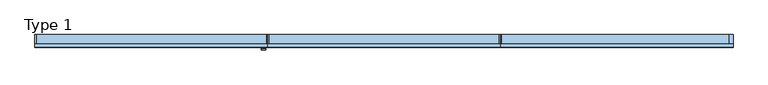
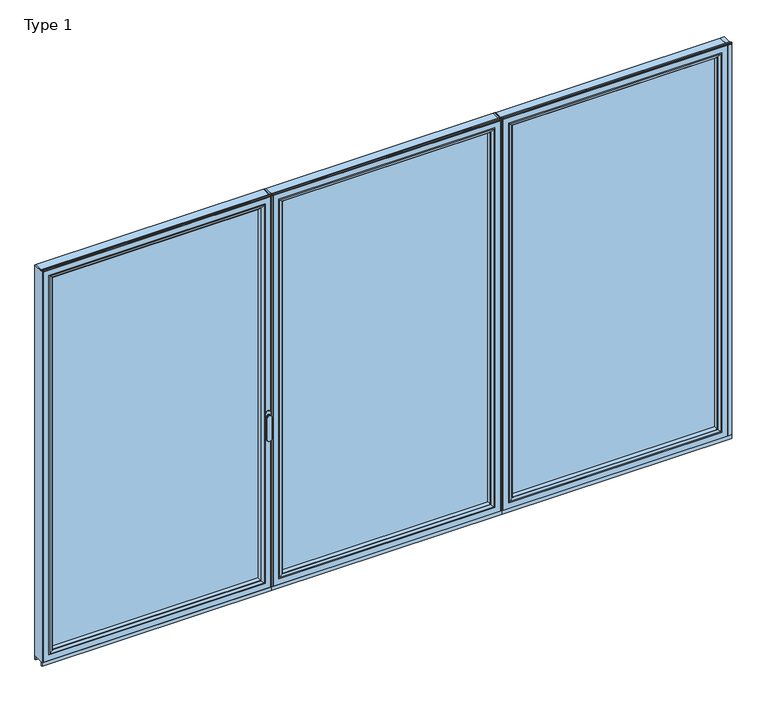
"""IFC4 building model written with IfcOpenShell, lengths in millimetres: window geometry, Type 1."""

from ifc_helpers import new_model, si_unit, point, frame, frame_2d, origin, place, context, project, spatial, polyline, circle_curve, ellipse_curve, trimmed, segment, composite_curve, outline, extrude, source, transform, mapped, element, save
from ifc_brep_helpers import plane_surface, cylinder_surface, extruded_surface, advanced_brep


def type_1_47d6afba(model_context):
    return source(origin(), model_context, "Body", "SolidModel", [
        extrude(outline(polyline([(-639.6012885, 0.0), (-633.6012885, 0.0), (-633.6012885, -70.0), (-639.6012885, -70.0), (-639.6012885, 0.0)])), frame((0.0, 0.0, 37.5), z_axis=(0.0, 0.0, 1.0), x_axis=(1.0, 0.0, 0.0)), (0.0, 0.0, 1.0), 2299.5),
        extrude(outline(polyline([(639.5987115, 0.0), (639.5987115, -70.0), (633.5987115, -70.0), (633.5987115, 0.0), (639.5987115, 0.0)])), frame((0.0, 0.0, 37.5), z_axis=(0.0, 0.0, 1.0), x_axis=(1.0, 0.0, 0.0)), (0.0, 0.0, 1.0), 2299.5),
        extrude(outline(polyline([(-601.6012885, -13.999939), (601.5987115, -13.999939), (601.5987115, -37.9928974), (-601.6012885, -37.9928974), (-601.6012885, -13.999939)])), frame((0.0, 0.0, 69.5), z_axis=(0.0, 0.0, 1.0), x_axis=(1.0, 0.0, 0.0)), (0.0, 0.0, 1.0), 2235.5),
        advanced_brep(
        [(579.5991387, -64.5552044, 2283.0004272), (579.5991387, -37.9928974, 2283.0004272), (579.5991387, -37.9928974, 91.4995728), (579.5991387, -64.5552044, 91.4995728), (601.5987115, -37.9928974, 2305.0), (601.5987115, -37.9928974, 69.5), (-601.6012885, -37.9928974, 69.5), (-601.6012885, -37.9928974, 2305.0), (-579.6017157, -37.9928974, 2283.0004272), (-579.6017157, -37.9928974, 91.4995728), (-579.6017157, -64.5552044, 91.4995728), (580.3086822, -65.8045072, 2283.7099707), (580.3086822, -65.8045072, 90.7900293), (-580.3112592, -65.8045072, 90.7900293), (595.5987725, -70.0, 2299.000061), (595.5987725, -70.0, 75.499939), (-595.6013495, -70.0, 75.499939), (-601.6012885, -70.0, 2305.0), (-601.6012885, -70.0, 69.5), (601.5987115, -70.0, 69.5), (601.5987115, -70.0, 2305.0), (-595.6013495, -70.0, 2299.000061), (-579.6017157, -64.5552044, 2283.0004272), (-580.3112592, -65.8045072, 2283.7099707)],
        [
            (0, 1),
            (1, 2),
            (2, 3),
            (3, 0),
            (4, 5),
            (5, 6),
            (6, 7),
            (7, 4),
            (8, 9),
            (9, 2),
            (1, 8),
            (9, 10),
            (10, 3),
            (11, 0, ellipse_curve(frame((581.0537427, -64.5552044, 2284.4550312), z_axis=(0.7071067811865475, 0.0, -0.7071067811865475), x_axis=(0.7071067811865474, 0.0, 0.7071067811865476)), 2.0571207, 1.454604)),
            (3, 12, ellipse_curve(frame((581.0537427, -64.5552044, 90.0449688), z_axis=(0.7071067811865475, 0.0, 0.7071067811865475), x_axis=(-0.7071067811865474, 0.0, 0.7071067811865476)), 2.0571207, 1.454604)),
            (12, 11),
            (10, 13, ellipse_curve(frame((-581.0563197, -64.5552044, 90.0449688), z_axis=(0.7071067811865475, 0.0, -0.7071067811865475), x_axis=(0.7071067811865476, 0.0, 0.7071067811865474)), 2.0571207, 1.454604)),
            (13, 12),
            (14, 11, ellipse_curve(frame((595.5348369, -40.2735922, 2298.9361254), z_axis=(0.7071067811865475, 0.0, -0.7071067811865475), x_axis=(0.7071067811865474, 0.0, 0.7071067811865476)), 42.0395863, 29.7264765)),
            (12, 15, ellipse_curve(frame((595.5348369, -40.2735922, 75.5638746), z_axis=(0.7071067811865475, 0.0, 0.7071067811865475), x_axis=(-0.7071067811865474, 0.0, 0.7071067811865476)), 42.0395863, 29.7264765)),
            (15, 14),
            (13, 16, ellipse_curve(frame((-595.5374139, -40.2735922, 75.5638746), z_axis=(0.7071067811865475, 0.0, -0.7071067811865475), x_axis=(0.7071067811865476, 0.0, 0.7071067811865474)), 42.0395863, 29.7264765)),
            (16, 15),
            (17, 18),
            (18, 19),
            (19, 20),
            (20, 17),
            (16, 21),
            (21, 14),
            (4, 20),
            (19, 5),
            (18, 6),
            (8, 22),
            (22, 10),
            (22, 23, ellipse_curve(frame((-581.0563197, -64.5552044, 2284.4550312), z_axis=(-0.7071067811865475, 0.0, -0.7071067811865475), x_axis=(0.7071067811865474, 0.0, -0.7071067811865476)), 2.0571207, 1.454604)),
            (23, 13),
            (23, 21, ellipse_curve(frame((-595.5374139, -40.2735922, 2298.9361254), z_axis=(-0.7071067811865475, 0.0, -0.7071067811865475), x_axis=(0.7071067811865474, 0.0, -0.7071067811865476)), 42.0395863, 29.7264765)),
            (17, 7),
            (0, 22),
            (11, 23),
        ],
        [
            plane_surface(frame((579.5991387, -37.9928974, 2283.0004272), z_axis=(-1.0, 0.0, 0.0), x_axis=(0.0, 0.0, -1.0))),
            plane_surface(frame((-601.6012885, -37.9928974, 69.5), z_axis=(0.0, 1.0, 0.0), x_axis=(0.0, 0.0, 1.0))),
            plane_surface(frame((579.5991387, -37.9928974, 91.4995728), z_axis=(0.0, 0.0, 1.0), x_axis=(-1.0, 0.0, 0.0))),
            cylinder_surface(frame((581.0537427, -64.5552044, 2283.0004272), z_axis=(0.0, 0.0, 1.0), x_axis=(1.0, 0.0, 0.0)), 1.454604),
            cylinder_surface(frame((579.5991387, -64.5552044, 90.0449688), z_axis=(1.0, 0.0, 0.0), x_axis=(0.0, 0.0, -1.0)), 1.454604),
            cylinder_surface(frame((595.5348369, -40.2735922, 2283.0004272), z_axis=(0.0, 0.0, 1.0), x_axis=(1.0, 0.0, 0.0)), 29.7264765),
            cylinder_surface(frame((579.5991387, -40.2735922, 75.5638746), z_axis=(1.0, 0.0, 0.0), x_axis=(0.0, 0.0, -1.0)), 29.7264765),
            plane_surface(frame((-595.6013495, -70.0, 75.499939), z_axis=(0.0, -1.0, 0.0), x_axis=(0.0, 0.0, 1.0))),
            plane_surface(frame((601.5987115, -70.0, 2305.0), z_axis=(1.0, 0.0, 0.0), x_axis=(0.0, 0.0, -1.0))),
            plane_surface(frame((601.5987115, -70.0, 69.5), z_axis=(0.0, 0.0, -1.0), x_axis=(-1.0, 0.0, 0.0))),
            plane_surface(frame((-579.6017157, -37.9928974, 91.4995728), z_axis=(1.0, 0.0, 0.0), x_axis=(0.0, 0.0, 1.0))),
            cylinder_surface(frame((-581.0563197, -64.5552044, 91.4995728), z_axis=(0.0, 0.0, -1.0), x_axis=(-1.0, 0.0, 0.0)), 1.454604),
            cylinder_surface(frame((-595.5374139, -40.2735922, 91.4995728), z_axis=(0.0, 0.0, -1.0), x_axis=(-1.0, 0.0, 0.0)), 29.7264765),
            plane_surface(frame((-601.6012885, -70.0, 69.5), z_axis=(-1.0, 0.0, 0.0), x_axis=(0.0, 0.0, 1.0))),
            plane_surface(frame((-579.6017157, -37.9928974, 2283.0004272), z_axis=(0.0, 0.0, -1.0), x_axis=(1.0, 0.0, 0.0))),
            cylinder_surface(frame((-579.6017157, -64.5552044, 2284.4550312), z_axis=(-1.0, 0.0, 0.0), x_axis=(0.0, 0.0, 1.0)), 1.454604),
            cylinder_surface(frame((-579.6017157, -40.2735922, 2298.9361254), z_axis=(-1.0, 0.0, 0.0), x_axis=(0.0, 0.0, 1.0)), 29.7264765),
            plane_surface(frame((-601.6012885, -70.0, 2305.0), z_axis=(0.0, 0.0, 1.0), x_axis=(1.0, 0.0, 0.0))),
        ],
        [
            (0, [[1, 2, 3, 4]]),
            (1, [[5, 6, 7, 8], [9, 10, -2, 11]]),
            (2, [[-3, -10, 12, 13]]),
            (3, [[14, -4, 15, 16]]),
            (4, [[-15, -13, 17, 18]]),
            (5, [[19, -16, 20, 21]]),
            (6, [[-20, -18, 22, 23]]),
            (7, [[24, 25, 26, 27], [-21, -23, 28, 29]]),
            (8, [[30, -26, 31, -5]]),
            (9, [[-31, -25, 32, -6]]),
            (10, [[-12, -9, 33, 34]]),
            (11, [[-17, -34, 35, 36]]),
            (12, [[-22, -36, 37, -28]]),
            (13, [[-32, -24, 38, -7]]),
            (14, [[-33, -11, -1, 39]]),
            (15, [[-35, -39, -14, 40]]),
            (16, [[-37, -40, -19, -29]]),
            (17, [[-38, -27, -30, -8]]),
        ],
    ),
        advanced_brep(
        [(-633.6012885, -70.0, 2337.0), (-633.6012885, 0.0, 2337.0), (-633.6012885, 0.0, 37.5), (-633.6012885, -70.0, 37.5), (633.5987115, 0.0, 37.5), (633.5987115, -70.0, 37.5), (633.5987115, 0.0, 2337.0), (584.0995214, 0.0, 86.9991901), (584.0995214, 0.0, 2287.5008099), (-584.1020984, 0.0, 2287.5008099), (-584.1020984, 0.0, 86.9991901), (633.5987115, -70.0, 2337.0), (-601.6012885, -70.0, 69.5), (-601.6012885, -70.0, 2305.0), (601.5987115, -70.0, 2305.0), (601.5987115, -70.0, 69.5), (-601.6012885, -13.999939, 2305.0), (-601.6012885, -13.999939, 69.5), (601.5987115, -13.999939, 69.5), (601.5987115, -13.999939, 2305.0), (-579.6017157, -13.999939, 91.4995728), (-579.6017157, -13.999939, 2283.0004272), (579.5991387, -13.999939, 2283.0004272), (579.5991387, -13.999939, 91.4995728), (-579.6017157, -4.5004435, 2283.0004272), (-579.6017157, -4.5004435, 91.4995728), (579.5991387, -4.5004435, 91.4995728), (579.5991387, -4.5004435, 2283.0004272)],
        [
            (0, 1),
            (1, 2),
            (2, 3),
            (3, 0),
            (2, 4),
            (4, 5),
            (5, 3),
            (1, 6),
            (6, 4),
            (7, 8),
            (8, 9),
            (9, 10),
            (10, 7),
            (6, 11),
            (11, 5),
            (11, 0),
            (12, 13),
            (13, 14),
            (14, 15),
            (15, 12),
            (16, 13),
            (12, 17),
            (17, 16),
            (15, 18),
            (18, 17),
            (14, 19),
            (19, 18),
            (19, 16),
            (20, 21),
            (21, 22),
            (22, 23),
            (23, 20),
            (24, 21),
            (20, 25),
            (25, 24),
            (23, 26),
            (26, 25),
            (22, 27),
            (27, 26),
            (10, 25, ellipse_curve(frame((-584.1020984, -4.5004435, 86.9991901), z_axis=(0.7071067811865475, 0.0, -0.7071067811865475), x_axis=(-0.7071067811865476, 0.0, -0.7071067811865474)), 6.3645023, 4.5003827)),
            (26, 7, ellipse_curve(frame((584.0995214, -4.5004435, 86.9991901), z_axis=(-0.7071067811865475, 0.0, -0.7071067811865475), x_axis=(-0.7071067811865476, 0.0, 0.7071067811865474)), 6.3645023, 4.5003827)),
            (9, 24, ellipse_curve(frame((-584.1020984, -4.5004435, 2287.5008099), z_axis=(-0.7071067811865475, 0.0, -0.7071067811865475), x_axis=(-0.7071067811865474, 0.0, 0.7071067811865476)), 6.3645023, 4.5003827)),
            (27, 8, ellipse_curve(frame((584.0995214, -4.5004435, 2287.5008099), z_axis=(0.7071067811865475, 0.0, -0.7071067811865475), x_axis=(-0.7071067811865474, 0.0, -0.7071067811865476)), 6.3645023, 4.5003827)),
            (24, 27),
        ],
        [
            plane_surface(frame((-633.6012885, 0.0, 2337.0), z_axis=(-1.0, 0.0, 0.0), x_axis=(0.0, 0.0, -1.0))),
            plane_surface(frame((-633.6012885, 0.0, 37.5), z_axis=(0.0, 0.0, -1.0), x_axis=(1.0, 0.0, 0.0))),
            plane_surface(frame((-584.1020984, 0.0, 2287.5008099), z_axis=(0.0, 1.0, 0.0), x_axis=(0.0, 0.0, -1.0))),
            plane_surface(frame((633.5987115, 0.0, 37.5), z_axis=(1.0, 0.0, 0.0), x_axis=(0.0, 0.0, 1.0))),
            plane_surface(frame((-633.6012885, -70.0, 2337.0), z_axis=(0.0, -1.0, 0.0), x_axis=(0.0, 0.0, -1.0))),
            plane_surface(frame((-601.6012885, -70.0, 2305.0), z_axis=(1.0, 0.0, 0.0), x_axis=(0.0, 0.0, -1.0))),
            plane_surface(frame((-601.6012885, -70.0, 69.5), z_axis=(0.0, 0.0, 1.0), x_axis=(1.0, 0.0, 0.0))),
            plane_surface(frame((601.5987115, -70.0, 69.5), z_axis=(-1.0, 0.0, 0.0), x_axis=(0.0, 0.0, 1.0))),
            plane_surface(frame((-601.6012885, -13.999939, 2305.0), z_axis=(0.0, -1.0, 0.0), x_axis=(0.0, 0.0, -1.0))),
            plane_surface(frame((-579.6017157, -13.999939, 2283.0004272), z_axis=(1.0, 0.0, 0.0), x_axis=(0.0, 0.0, -1.0))),
            plane_surface(frame((-579.6017157, -13.999939, 91.4995728), z_axis=(0.0, 0.0, 1.0), x_axis=(1.0, 0.0, 0.0))),
            plane_surface(frame((579.5991387, -13.999939, 91.4995728), z_axis=(-1.0, 0.0, 0.0), x_axis=(0.0, 0.0, 1.0))),
            cylinder_surface(frame((-639.6012885, -4.5004435, 86.9991901), z_axis=(-1.0, 0.0, 0.0), x_axis=(0.0, -1.0, 0.0)), 4.5003827),
            cylinder_surface(frame((-584.1020984, -4.5004435, 2343.0), z_axis=(0.0, 0.0, 1.0), x_axis=(0.0, -1.0, 0.0)), 4.5003827),
            cylinder_surface(frame((584.0995214, -4.5004435, 31.5), z_axis=(0.0, 0.0, -1.0), x_axis=(0.0, -1.0, 0.0)), 4.5003827),
            plane_surface(frame((633.5987115, 0.0, 2337.0), z_axis=(0.0, 0.0, 1.0), x_axis=(-1.0, 0.0, 0.0))),
            plane_surface(frame((601.5987115, -70.0, 2305.0), z_axis=(0.0, 0.0, -1.0), x_axis=(-1.0, 0.0, 0.0))),
            plane_surface(frame((579.5991387, -13.999939, 2283.0004272), z_axis=(0.0, 0.0, -1.0), x_axis=(-1.0, 0.0, 0.0))),
            cylinder_surface(frame((639.5987115, -4.5004435, 2287.5008099), z_axis=(1.0, 0.0, 0.0), x_axis=(0.0, -1.0, 0.0)), 4.5003827),
        ],
        [
            (0, [[1, 2, 3, 4]]),
            (1, [[-3, 5, 6, 7]]),
            (2, [[-2, 8, 9, -5], [10, 11, 12, 13]]),
            (3, [[-6, -9, 14, 15]]),
            (4, [[-15, 16, -4, -7], [17, 18, 19, 20]]),
            (5, [[21, -17, 22, 23]]),
            (6, [[-22, -20, 24, 25]]),
            (7, [[-24, -19, 26, 27]]),
            (8, [[-27, 28, -23, -25], [29, 30, 31, 32]]),
            (9, [[33, -29, 34, 35]]),
            (10, [[-34, -32, 36, 37]]),
            (11, [[-36, -31, 38, 39]]),
            (12, [[40, -37, 41, -13]]),
            (13, [[42, -35, -40, -12]]),
            (14, [[-41, -39, 43, -10]]),
            (15, [[-14, -8, -1, -16]]),
            (16, [[-26, -18, -21, -28]]),
            (17, [[-38, -30, -33, 44]]),
            (18, [[-43, -44, -42, -11]]),
        ],
    ),
        extrude(outline(polyline([(-639.6012885, -7.6000076), (-639.6012885, 0.0), (639.5987115, 0.0), (639.5987115, -7.6000076), (-639.6012885, -7.6000076)])), frame((0.0, 0.0, 15.4995117), z_axis=(0.0, 0.0, 1.0), x_axis=(1.0, 0.0, 0.0)), (0.0, 0.0, 1.0), 22.0004883),
        extrude(outline(polyline([(-639.6012885, -70.0), (-639.6012885, -62.2757497), (639.5987115, -62.2757497), (639.5987115, -70.0), (-639.6012885, -70.0)])), frame((0.0, 0.0, 15.4995117), z_axis=(0.0, 0.0, 1.0), x_axis=(1.0, 0.0, 0.0)), (0.0, 0.0, 1.0), 22.0004883),
        extrude(outline(composite_curve([segment(polyline([(-52.044326, 2339.1400778), (-52.044326, 2337.0), (-70.0, 2337.0), (-71.8735116, 2343.9547971)]), True, "CONTINUOUS"), segment(trimmed(circle_curve(frame_2d((-69.9423544, 2344.4750201)), 2.0), [point((-71.8735116, 2343.9547971))], [point((-71.8738669, 2344.9939222))], False, "CARTESIAN"), True, "CONTINUOUS"), segment(polyline([(-71.8738669, 2344.9939222), (-70.8937897, 2348.6420698), (-70.0, 2348.6420698), (-70.0, 2342.963961), (-68.6363596, 2339.1400778), (-52.044326, 2339.1400778)]), True, "CONTINUOUS")], self_intersect=False)), frame((-639.6012885, 0.0, 0.0), z_axis=(1.0, 0.0, 0.0), x_axis=(0.0, 1.0, 0.0)), (0.0, 0.0, 1.0), 1279.2),
        advanced_brep(
        [(-673.5886308, -73.5, 1050.0), (-649.6113692, -73.5, 1050.0), (-649.6113692, -76.8965533, 1050.0), (-673.5886308, -76.8965533, 1050.0), (-673.5886308, -84.5, 1050.0), (-673.5886308, -84.5, 918.6867153), (-649.6113692, -84.5, 918.6867153), (-649.6113692, -84.5, 1050.0), (-649.6113692, -76.8965533, 918.6867153), (-673.5886308, -76.8965533, 918.6867153)],
        [
            (0, 1, circle_curve(frame((-661.6, -73.5, 1050.0), z_axis=(0.0, 1.0, 0.0), x_axis=(1.0, 0.0, 0.0)), 11.9886308)),
            (1, 0, circle_curve(frame((-661.6, -73.5, 1050.0), z_axis=(0.0, 1.0, 0.0), x_axis=(1.0, 0.0, 0.0)), 11.9886308)),
            (1, 2),
            (2, 3, circle_curve(frame((-661.6, -76.8965533, 1050.0), z_axis=(0.0, 1.0, 0.0), x_axis=(1.0, 0.0, 0.0)), 11.9886308)),
            (3, 0),
            (3, 2, circle_curve(frame((-661.6, -76.8965533, 1050.0), z_axis=(0.0, 1.0, 0.0), x_axis=(1.0, 0.0, 0.0)), 11.9886308)),
            (4, 5),
            (5, 6, ellipse_curve(frame((-661.6, -84.5, 918.6867153), z_axis=(0.0, -1.0, 0.0), x_axis=(-1.0, 0.0, 0.0)), 11.9886308, 7.9050795)),
            (6, 7),
            (7, 4, circle_curve(frame((-661.6, -84.5, 1050.0), z_axis=(0.0, -1.0, 0.0), x_axis=(1.0, 0.0, 0.0)), 11.9886308)),
            (2, 8),
            (8, 9, ellipse_curve(frame((-661.6, -76.8965533, 918.6867153), z_axis=(0.0, 1.0, 0.0), x_axis=(-1.0, 0.0, 0.0)), 11.9886308, 7.9050795)),
            (9, 3),
            (4, 3),
            (9, 5),
            (8, 6),
            (2, 7),
        ],
        [
            plane_surface(frame((-649.6113692, -73.5, 1050.0), z_axis=(0.0, 1.0, 0.0), x_axis=(0.0, 0.0, -1.0))),
            cylinder_surface(frame((-661.6, -73.5, 1050.0), z_axis=(0.0, -1.0, 0.0), x_axis=(1.0, 0.0, 0.0)), 11.9886308),
            plane_surface(frame((-673.5886308, -84.5, 928.3382074), z_axis=(0.0, -1.0, 0.0), x_axis=(0.0, 0.0, -1.0))),
            plane_surface(frame((-673.5886308, -76.8965533, 928.3382074), z_axis=(0.0, 1.0, 0.0), x_axis=(0.0, 0.0, 1.0))),
            plane_surface(frame((-673.5886308, -84.5, 1050.0), z_axis=(-1.0, 0.0, 0.0), x_axis=(0.0, 1.0, 0.0))),
            extruded_surface(trimmed(ellipse_curve(frame((-661.6, -69.2931066, 918.6867153), z_axis=(0.0, -1.0, 0.0), x_axis=(-1.0, 0.0, 0.0)), 11.9886308, 7.9050795), [point((-673.5886308, -69.2931066, 918.6867153))], [point((-649.6113692, -69.2931066, 918.6867153))], True, "CARTESIAN"), (0.0, -7.603446699999992, 0.0), 7.603446699999992),
            plane_surface(frame((-649.6113692, -84.5, 918.6867153), z_axis=(1.0, 0.0, 0.0), x_axis=(0.0, 1.0, 0.0))),
            cylinder_surface(frame((-661.6, -76.8965533, 1050.0), z_axis=(0.0, -1.0, 0.0), x_axis=(1.0, 0.0, 0.0)), 11.9886308),
        ],
        [
            (0, [[1, 2]]),
            (1, [[-2, 3, 4, 5]]),
            (1, [[-1, -5, 6, -3]]),
            (2, [[7, 8, 9, 10]]),
            (3, [[11, 12, 13, -4]]),
            (4, [[-7, 14, -13, 15]]),
            (5, [[-8, -15, -12, 16]]),
            (6, [[-9, -16, -11, 17]]),
            (7, [[-10, -17, -6, -14]]),
        ],
    ),
        extrude(outline(composite_curve([segment(polyline([(1068.75, -675.6), (1031.25, -675.6)]), True, "CONTINUOUS"), segment(trimmed(circle_curve(frame_2d((1031.25, -661.6)), 14.0), [point((1031.25, -675.6))], [point((1031.25, -647.6))], False, "CARTESIAN"), True, "CONTINUOUS"), segment(polyline([(1031.25, -647.6), (1068.75, -647.6)]), True, "CONTINUOUS"), segment(trimmed(circle_curve(frame_2d((1068.75, -661.6)), 14.0), [point((1068.75, -647.6))], [point((1068.75, -675.6))], False, "CARTESIAN"), True, "CONTINUOUS")], self_intersect=False)), frame((0.0, -73.5, 0.0), z_axis=(0.0, 1.0, 0.0), x_axis=(0.0, 0.0, 1.0)), (0.0, 0.0, 1.0), 3.5),
        extrude(outline(polyline([(-1918.8, 0.0), (-1912.8, 0.0), (-1912.8, -70.0), (-1918.8, -70.0), (-1918.8, 0.0)])), frame((0.0, 0.0, 37.5), z_axis=(0.0, 0.0, 1.0), x_axis=(1.0, 0.0, 0.0)), (0.0, 0.0, 1.0), 2299.5),
        extrude(outline(polyline([(-639.6, 0.0), (-639.6, -70.0), (-645.6, -70.0), (-645.6, 0.0), (-639.6, 0.0)])), frame((0.0, 0.0, 37.5), z_axis=(0.0, 0.0, 1.0), x_axis=(1.0, 0.0, 0.0)), (0.0, 0.0, 1.0), 2299.5),
        extrude(outline(polyline([(-1880.8, -13.999939), (-677.6, -13.999939), (-677.6, -37.9928974), (-1880.8, -37.9928974), (-1880.8, -13.999939)])), frame((0.0, 0.0, 69.5), z_axis=(0.0, 0.0, 1.0), x_axis=(1.0, 0.0, 0.0)), (0.0, 0.0, 1.0), 2235.5),
        advanced_brep(
        [(-699.5995728, -64.5552044, 2283.0004272), (-699.5995728, -37.9928974, 2283.0004272), (-699.5995728, -37.9928974, 91.4995728), (-699.5995728, -64.5552044, 91.4995728), (-677.6, -37.9928974, 2305.0), (-677.6, -37.9928974, 69.5), (-1880.8, -37.9928974, 69.5), (-1880.8, -37.9928974, 2305.0), (-1858.8004272, -37.9928974, 2283.0004272), (-1858.8004272, -37.9928974, 91.4995728), (-1858.8004272, -64.5552044, 91.4995728), (-698.8900293, -65.8045072, 2283.7099707), (-698.8900293, -65.8045072, 90.7900293), (-1859.5099707, -65.8045072, 90.7900293), (-683.599939, -70.0, 2299.000061), (-683.599939, -70.0, 75.499939), (-1874.800061, -70.0, 75.499939), (-1880.8, -70.0, 2305.0), (-1880.8, -70.0, 69.5), (-677.6, -70.0, 69.5), (-677.6, -70.0, 2305.0), (-1874.800061, -70.0, 2299.000061), (-1858.8004272, -64.5552044, 2283.0004272), (-1859.5099707, -65.8045072, 2283.7099707)],
        [
            (0, 1),
            (1, 2),
            (2, 3),
            (3, 0),
            (4, 5),
            (5, 6),
            (6, 7),
            (7, 4),
            (8, 9),
            (9, 2),
            (1, 8),
            (9, 10),
            (10, 3),
            (11, 0, ellipse_curve(frame((-698.1449688, -64.5552044, 2284.4550312), z_axis=(0.7071067811865475, 0.0, -0.7071067811865475), x_axis=(0.7071067811865474, 0.0, 0.7071067811865476)), 2.0571207, 1.454604)),
            (3, 12, ellipse_curve(frame((-698.1449688, -64.5552044, 90.0449688), z_axis=(0.7071067811865475, 0.0, 0.7071067811865475), x_axis=(-0.7071067811865474, 0.0, 0.7071067811865476)), 2.0571207, 1.454604)),
            (12, 11),
            (10, 13, ellipse_curve(frame((-1860.2550312, -64.5552044, 90.0449688), z_axis=(0.7071067811865475, 0.0, -0.7071067811865475), x_axis=(0.7071067811865476, 0.0, 0.7071067811865474)), 2.0571207, 1.454604)),
            (13, 12),
            (14, 11, ellipse_curve(frame((-683.6638746, -40.2735922, 2298.9361254), z_axis=(0.7071067811865475, 0.0, -0.7071067811865475), x_axis=(0.7071067811865474, 0.0, 0.7071067811865476)), 42.0395863, 29.7264765)),
            (12, 15, ellipse_curve(frame((-683.6638746, -40.2735922, 75.5638746), z_axis=(0.7071067811865475, 0.0, 0.7071067811865475), x_axis=(-0.7071067811865474, 0.0, 0.7071067811865476)), 42.0395863, 29.7264765)),
            (15, 14),
            (13, 16, ellipse_curve(frame((-1874.7361254, -40.2735922, 75.5638746), z_axis=(0.7071067811865475, 0.0, -0.7071067811865475), x_axis=(0.7071067811865476, 0.0, 0.7071067811865474)), 42.0395863, 29.7264765)),
            (16, 15),
            (17, 18),
            (18, 19),
            (19, 20),
            (20, 17),
            (16, 21),
            (21, 14),
            (4, 20),
            (19, 5),
            (18, 6),
            (8, 22),
            (22, 10),
            (22, 23, ellipse_curve(frame((-1860.2550312, -64.5552044, 2284.4550312), z_axis=(-0.7071067811865475, 0.0, -0.7071067811865475), x_axis=(0.7071067811865474, 0.0, -0.7071067811865476)), 2.0571207, 1.454604)),
            (23, 13),
            (23, 21, ellipse_curve(frame((-1874.7361254, -40.2735922, 2298.9361254), z_axis=(-0.7071067811865475, 0.0, -0.7071067811865475), x_axis=(0.7071067811865474, 0.0, -0.7071067811865476)), 42.0395863, 29.7264765)),
            (17, 7),
            (0, 22),
            (11, 23),
        ],
        [
            plane_surface(frame((-699.5995728, -37.9928974, 2283.0004272), z_axis=(-1.0, 0.0, 0.0), x_axis=(0.0, 0.0, -1.0))),
            plane_surface(frame((-1880.8, -37.9928974, 69.5), z_axis=(0.0, 1.0, 0.0), x_axis=(0.0, 0.0, 1.0))),
            plane_surface(frame((-699.5995728, -37.9928974, 91.4995728), z_axis=(0.0, 0.0, 1.0), x_axis=(-1.0, 0.0, 0.0))),
            cylinder_surface(frame((-698.1449688, -64.5552044, 2283.0004272), z_axis=(0.0, 0.0, 1.0), x_axis=(1.0, 0.0, 0.0)), 1.454604),
            cylinder_surface(frame((-699.5995728, -64.5552044, 90.0449688), z_axis=(1.0, 0.0, 0.0), x_axis=(0.0, 0.0, -1.0)), 1.454604),
            cylinder_surface(frame((-683.6638746, -40.2735922, 2283.0004272), z_axis=(0.0, 0.0, 1.0), x_axis=(1.0, 0.0, 0.0)), 29.7264765),
            cylinder_surface(frame((-699.5995728, -40.2735922, 75.5638746), z_axis=(1.0, 0.0, 0.0), x_axis=(0.0, 0.0, -1.0)), 29.7264765),
            plane_surface(frame((-1874.800061, -70.0, 75.499939), z_axis=(0.0, -1.0, 0.0), x_axis=(0.0, 0.0, 1.0))),
            plane_surface(frame((-677.6, -70.0, 2305.0), z_axis=(1.0, 0.0, 0.0), x_axis=(0.0, 0.0, -1.0))),
            plane_surface(frame((-677.6, -70.0, 69.5), z_axis=(0.0, 0.0, -1.0), x_axis=(-1.0, 0.0, 0.0))),
            plane_surface(frame((-1858.8004272, -37.9928974, 91.4995728), z_axis=(1.0, 0.0, 0.0), x_axis=(0.0, 0.0, 1.0))),
            cylinder_surface(frame((-1860.2550312, -64.5552044, 91.4995728), z_axis=(0.0, 0.0, -1.0), x_axis=(-1.0, 0.0, 0.0)), 1.454604),
            cylinder_surface(frame((-1874.7361254, -40.2735922, 91.4995728), z_axis=(0.0, 0.0, -1.0), x_axis=(-1.0, 0.0, 0.0)), 29.7264765),
            plane_surface(frame((-1880.8, -70.0, 69.5), z_axis=(-1.0, 0.0, 0.0), x_axis=(0.0, 0.0, 1.0))),
            plane_surface(frame((-1858.8004272, -37.9928974, 2283.0004272), z_axis=(0.0, 0.0, -1.0), x_axis=(1.0, 0.0, 0.0))),
            cylinder_surface(frame((-1858.8004272, -64.5552044, 2284.4550312), z_axis=(-1.0, 0.0, 0.0), x_axis=(0.0, 0.0, 1.0)), 1.454604),
            cylinder_surface(frame((-1858.8004272, -40.2735922, 2298.9361254), z_axis=(-1.0, 0.0, 0.0), x_axis=(0.0, 0.0, 1.0)), 29.7264765),
            plane_surface(frame((-1880.8, -70.0, 2305.0), z_axis=(0.0, 0.0, 1.0), x_axis=(1.0, 0.0, 0.0))),
        ],
        [
            (0, [[1, 2, 3, 4]]),
            (1, [[5, 6, 7, 8], [9, 10, -2, 11]]),
            (2, [[-3, -10, 12, 13]]),
            (3, [[14, -4, 15, 16]]),
            (4, [[-15, -13, 17, 18]]),
            (5, [[19, -16, 20, 21]]),
            (6, [[-20, -18, 22, 23]]),
            (7, [[24, 25, 26, 27], [-21, -23, 28, 29]]),
            (8, [[30, -26, 31, -5]]),
            (9, [[-31, -25, 32, -6]]),
            (10, [[-12, -9, 33, 34]]),
            (11, [[-17, -34, 35, 36]]),
            (12, [[-22, -36, 37, -28]]),
            (13, [[-32, -24, 38, -7]]),
            (14, [[-33, -11, -1, 39]]),
            (15, [[-35, -39, -14, 40]]),
            (16, [[-37, -40, -19, -29]]),
            (17, [[-38, -27, -30, -8]]),
        ],
    ),
        advanced_brep(
        [(-1912.8, -70.0, 2337.0), (-1912.8, 0.0, 2337.0), (-1912.8, 0.0, 37.5), (-1912.8, -70.0, 37.5), (-645.6, 0.0, 37.5), (-645.6, -70.0, 37.5), (-645.6, 0.0, 2337.0), (-695.0991901, 0.0, 86.9991901), (-695.0991901, 0.0, 2287.5008099), (-1863.3008099, 0.0, 2287.5008099), (-1863.3008099, 0.0, 86.9991901), (-645.6, -70.0, 2337.0), (-1880.8, -70.0, 69.5), (-1880.8, -70.0, 2305.0), (-677.6, -70.0, 2305.0), (-677.6, -70.0, 69.5), (-1880.8, -13.999939, 2305.0), (-1880.8, -13.999939, 69.5), (-677.6, -13.999939, 69.5), (-677.6, -13.999939, 2305.0), (-1858.8004272, -13.999939, 91.4995728), (-1858.8004272, -13.999939, 2283.0004272), (-699.5995728, -13.999939, 2283.0004272), (-699.5995728, -13.999939, 91.4995728), (-1858.8004272, -4.5004435, 2283.0004272), (-1858.8004272, -4.5004435, 91.4995728), (-699.5995728, -4.5004435, 91.4995728), (-699.5995728, -4.5004435, 2283.0004272)],
        [
            (0, 1),
            (1, 2),
            (2, 3),
            (3, 0),
            (2, 4),
            (4, 5),
            (5, 3),
            (1, 6),
            (6, 4),
            (7, 8),
            (8, 9),
            (9, 10),
            (10, 7),
            (6, 11),
            (11, 5),
            (11, 0),
            (12, 13),
            (13, 14),
            (14, 15),
            (15, 12),
            (16, 13),
            (12, 17),
            (17, 16),
            (15, 18),
            (18, 17),
            (14, 19),
            (19, 18),
            (19, 16),
            (20, 21),
            (21, 22),
            (22, 23),
            (23, 20),
            (24, 21),
            (20, 25),
            (25, 24),
            (23, 26),
            (26, 25),
            (22, 27),
            (27, 26),
            (10, 25, ellipse_curve(frame((-1863.3008099, -4.5004435, 86.9991901), z_axis=(0.7071067811865475, 0.0, -0.7071067811865475), x_axis=(-0.7071067811865476, 0.0, -0.7071067811865474)), 6.3645023, 4.5003827)),
            (26, 7, ellipse_curve(frame((-695.0991901, -4.5004435, 86.9991901), z_axis=(-0.7071067811865475, 0.0, -0.7071067811865475), x_axis=(-0.7071067811865476, 0.0, 0.7071067811865474)), 6.3645023, 4.5003827)),
            (9, 24, ellipse_curve(frame((-1863.3008099, -4.5004435, 2287.5008099), z_axis=(-0.7071067811865475, 0.0, -0.7071067811865475), x_axis=(-0.7071067811865474, 0.0, 0.7071067811865476)), 6.3645023, 4.5003827)),
            (27, 8, ellipse_curve(frame((-695.0991901, -4.5004435, 2287.5008099), z_axis=(0.7071067811865475, 0.0, -0.7071067811865475), x_axis=(-0.7071067811865474, 0.0, -0.7071067811865476)), 6.3645023, 4.5003827)),
            (24, 27),
        ],
        [
            plane_surface(frame((-1912.8, 0.0, 2337.0), z_axis=(-1.0, 0.0, 0.0), x_axis=(0.0, 0.0, -1.0))),
            plane_surface(frame((-1912.8, 0.0, 37.5), z_axis=(0.0, 0.0, -1.0), x_axis=(1.0, 0.0, 0.0))),
            plane_surface(frame((-1863.3008099, 0.0, 2287.5008099), z_axis=(0.0, 1.0, 0.0), x_axis=(0.0, 0.0, -1.0))),
            plane_surface(frame((-645.6, 0.0, 37.5), z_axis=(1.0, 0.0, 0.0), x_axis=(0.0, 0.0, 1.0))),
            plane_surface(frame((-1912.8, -70.0, 2337.0), z_axis=(0.0, -1.0, 0.0), x_axis=(0.0, 0.0, -1.0))),
            plane_surface(frame((-1880.8, -70.0, 2305.0), z_axis=(1.0, 0.0, 0.0), x_axis=(0.0, 0.0, -1.0))),
            plane_surface(frame((-1880.8, -70.0, 69.5), z_axis=(0.0, 0.0, 1.0), x_axis=(1.0, 0.0, 0.0))),
            plane_surface(frame((-677.6, -70.0, 69.5), z_axis=(-1.0, 0.0, 0.0), x_axis=(0.0, 0.0, 1.0))),
            plane_surface(frame((-1880.8, -13.999939, 2305.0), z_axis=(0.0, -1.0, 0.0), x_axis=(0.0, 0.0, -1.0))),
            plane_surface(frame((-1858.8004272, -13.999939, 2283.0004272), z_axis=(1.0, 0.0, 0.0), x_axis=(0.0, 0.0, -1.0))),
            plane_surface(frame((-1858.8004272, -13.999939, 91.4995728), z_axis=(0.0, 0.0, 1.0), x_axis=(1.0, 0.0, 0.0))),
            plane_surface(frame((-699.5995728, -13.999939, 91.4995728), z_axis=(-1.0, 0.0, 0.0), x_axis=(0.0, 0.0, 1.0))),
            cylinder_surface(frame((-1918.8, -4.5004435, 86.9991901), z_axis=(-1.0, 0.0, 0.0), x_axis=(0.0, -1.0, 0.0)), 4.5003827),
            cylinder_surface(frame((-1863.3008099, -4.5004435, 2343.0), z_axis=(0.0, 0.0, 1.0), x_axis=(0.0, -1.0, 0.0)), 4.5003827),
            cylinder_surface(frame((-695.0991901, -4.5004435, 31.5), z_axis=(0.0, 0.0, -1.0), x_axis=(0.0, -1.0, 0.0)), 4.5003827),
            plane_surface(frame((-645.6, 0.0, 2337.0), z_axis=(0.0, 0.0, 1.0), x_axis=(-1.0, 0.0, 0.0))),
            plane_surface(frame((-677.6, -70.0, 2305.0), z_axis=(0.0, 0.0, -1.0), x_axis=(-1.0, 0.0, 0.0))),
            plane_surface(frame((-699.5995728, -13.999939, 2283.0004272), z_axis=(0.0, 0.0, -1.0), x_axis=(-1.0, 0.0, 0.0))),
            cylinder_surface(frame((-639.6, -4.5004435, 2287.5008099), z_axis=(1.0, 0.0, 0.0), x_axis=(0.0, -1.0, 0.0)), 4.5003827),
        ],
        [
            (0, [[1, 2, 3, 4]]),
            (1, [[-3, 5, 6, 7]]),
            (2, [[-2, 8, 9, -5], [10, 11, 12, 13]]),
            (3, [[-6, -9, 14, 15]]),
            (4, [[-15, 16, -4, -7], [17, 18, 19, 20]]),
            (5, [[21, -17, 22, 23]]),
            (6, [[-22, -20, 24, 25]]),
            (7, [[-24, -19, 26, 27]]),
            (8, [[-27, 28, -23, -25], [29, 30, 31, 32]]),
            (9, [[33, -29, 34, 35]]),
            (10, [[-34, -32, 36, 37]]),
            (11, [[-36, -31, 38, 39]]),
            (12, [[40, -37, 41, -13]]),
            (13, [[42, -35, -40, -12]]),
            (14, [[-41, -39, 43, -10]]),
            (15, [[-14, -8, -1, -16]]),
            (16, [[-26, -18, -21, -28]]),
            (17, [[-38, -30, -33, 44]]),
            (18, [[-43, -44, -42, -11]]),
        ],
    ),
        extrude(outline(polyline([(-1918.8, -7.6000076), (-1918.8, 0.0), (-639.6, 0.0), (-639.6, -7.6000076), (-1918.8, -7.6000076)])), frame((0.0, 0.0, 15.4995117), z_axis=(0.0, 0.0, 1.0), x_axis=(1.0, 0.0, 0.0)), (0.0, 0.0, 1.0), 22.0004883),
        extrude(outline(polyline([(-1918.8, -70.0), (-1918.8, -62.2757497), (-639.6, -62.2757497), (-639.6, -70.0), (-1918.8, -70.0)])), frame((0.0, 0.0, 15.4995117), z_axis=(0.0, 0.0, 1.0), x_axis=(1.0, 0.0, 0.0)), (0.0, 0.0, 1.0), 22.0004883),
        extrude(outline(composite_curve([segment(polyline([(-52.044326, 2339.1400778), (-52.044326, 2337.0), (-70.0, 2337.0), (-71.8735116, 2343.9547971)]), True, "CONTINUOUS"), segment(trimmed(circle_curve(frame_2d((-69.9423544, 2344.4750201)), 2.0), [point((-71.8735116, 2343.9547971))], [point((-71.8738669, 2344.9939222))], False, "CARTESIAN"), True, "CONTINUOUS"), segment(polyline([(-71.8738669, 2344.9939222), (-70.8937897, 2348.6420698), (-70.0, 2348.6420698), (-70.0, 2342.963961), (-68.6363596, 2339.1400778), (-52.044326, 2339.1400778)]), True, "CONTINUOUS")], self_intersect=False)), frame((-1918.8, 0.0, 0.0), z_axis=(1.0, 0.0, 0.0), x_axis=(0.0, 1.0, 0.0)), (0.0, 0.0, 1.0), 1279.2),
        extrude(outline(polyline([(1918.797423, 0.0), (1918.797423, -70.0), (1896.797423, -70.0), (1896.797423, 0.0), (1918.797423, 0.0)])), frame((0.0, 0.0, 37.5), z_axis=(0.0, 0.0, 1.0), x_axis=(1.0, 0.0, 0.0)), (0.0, 0.0, 1.0), 2299.5),
        extrude(outline(polyline([(639.597423, 0.0), (645.597423, 0.0), (645.597423, -70.0), (639.597423, -70.0), (639.597423, 0.0)])), frame((0.0, 0.0, 37.5), z_axis=(0.0, 0.0, 1.0), x_axis=(1.0, 0.0, 0.0)), (0.0, 0.0, 1.0), 2299.5),
        extrude(outline(polyline([(1864.797423, -13.999939), (1864.797423, -37.9928974), (677.597423, -37.9928974), (677.597423, -13.999939), (1864.797423, -13.999939)])), frame((0.0, 0.0, 69.5), z_axis=(0.0, 0.0, 1.0), x_axis=(1.0, 0.0, 0.0)), (0.0, 0.0, 1.0), 2235.5),
        advanced_brep(
        [(699.5969958, -64.5552044, 2283.0004272), (699.5969958, -64.5552044, 91.4995728), (699.5969958, -37.9928974, 91.4995728), (699.5969958, -37.9928974, 2283.0004272), (677.597423, -37.9928974, 2305.0), (1864.797423, -37.9928974, 2305.0), (1864.797423, -37.9928974, 69.5), (677.597423, -37.9928974, 69.5), (1842.7978502, -37.9928974, 2283.0004272), (1842.7978502, -37.9928974, 91.4995728), (1842.7978502, -64.5552044, 91.4995728), (698.8874523, -65.8045072, 2283.7099707), (698.8874523, -65.8045072, 90.7900293), (1843.5073937, -65.8045072, 90.7900293), (683.597362, -70.0, 2299.000061), (683.597362, -70.0, 75.499939), (1858.797484, -70.0, 75.499939), (1864.797423, -70.0, 2305.0), (677.597423, -70.0, 2305.0), (677.597423, -70.0, 69.5), (1864.797423, -70.0, 69.5), (1858.797484, -70.0, 2299.000061), (1842.7978502, -64.5552044, 2283.0004272), (1843.5073937, -65.8045072, 2283.7099707)],
        [
            (0, 1),
            (1, 2),
            (2, 3),
            (3, 0),
            (4, 5),
            (5, 6),
            (6, 7),
            (7, 4),
            (8, 3),
            (2, 9),
            (9, 8),
            (1, 10),
            (10, 9),
            (11, 12),
            (12, 1, ellipse_curve(frame((698.1423918, -64.5552044, 90.0449688), z_axis=(-0.7071067811865475, 0.0, 0.7071067811865475), x_axis=(0.7071067811865474, 0.0, 0.7071067811865476)), 2.0571207, 1.454604)),
            (0, 11, ellipse_curve(frame((698.1423918, -64.5552044, 2284.4550312), z_axis=(-0.7071067811865475, 0.0, -0.7071067811865475), x_axis=(-0.7071067811865474, 0.0, 0.7071067811865476)), 2.0571207, 1.454604)),
            (12, 13),
            (13, 10, ellipse_curve(frame((1844.2524542, -64.5552044, 90.0449688), z_axis=(-0.7071067811865475, 0.0, -0.7071067811865475), x_axis=(-0.7071067811865476, 0.0, 0.7071067811865474)), 2.0571207, 1.454604)),
            (14, 15),
            (15, 12, ellipse_curve(frame((683.6612976, -40.2735922, 75.5638746), z_axis=(-0.7071067811865475, 0.0, 0.7071067811865475), x_axis=(0.7071067811865474, 0.0, 0.7071067811865476)), 42.0395863, 29.7264765)),
            (11, 14, ellipse_curve(frame((683.6612976, -40.2735922, 2298.9361254), z_axis=(-0.7071067811865475, 0.0, -0.7071067811865475), x_axis=(-0.7071067811865474, 0.0, 0.7071067811865476)), 42.0395863, 29.7264765)),
            (15, 16),
            (16, 13, ellipse_curve(frame((1858.7335484, -40.2735922, 75.5638746), z_axis=(-0.7071067811865475, 0.0, -0.7071067811865475), x_axis=(-0.7071067811865476, 0.0, 0.7071067811865474)), 42.0395863, 29.7264765)),
            (17, 18),
            (18, 19),
            (19, 20),
            (20, 17),
            (14, 21),
            (21, 16),
            (7, 19),
            (18, 4),
            (6, 20),
            (10, 22),
            (22, 8),
            (13, 23),
            (23, 22, ellipse_curve(frame((1844.2524542, -64.5552044, 2284.4550312), z_axis=(0.7071067811865475, 0.0, -0.7071067811865475), x_axis=(-0.7071067811865474, 0.0, -0.7071067811865476)), 2.0571207, 1.454604)),
            (21, 23, ellipse_curve(frame((1858.7335484, -40.2735922, 2298.9361254), z_axis=(0.7071067811865475, 0.0, -0.7071067811865475), x_axis=(-0.7071067811865474, 0.0, -0.7071067811865476)), 42.0395863, 29.7264765)),
            (5, 17),
            (22, 0),
            (23, 11),
        ],
        [
            plane_surface(frame((699.5969958, -37.9928974, 2283.0004272), z_axis=(1.0, 0.0, 0.0), x_axis=(0.0, 0.0, -1.0))),
            plane_surface(frame((1864.797423, -37.9928974, 69.5), z_axis=(0.0, 1.0, 0.0), x_axis=(0.0, 0.0, 1.0))),
            plane_surface(frame((699.5969958, -37.9928974, 91.4995728), z_axis=(0.0, 0.0, 1.0), x_axis=(1.0, 0.0, 0.0))),
            cylinder_surface(frame((698.1423918, -64.5552044, 2283.0004272), z_axis=(0.0, 0.0, 1.0), x_axis=(-1.0, 0.0, 0.0)), 1.454604),
            cylinder_surface(frame((699.5969958, -64.5552044, 90.0449688), z_axis=(-1.0, 0.0, 0.0), x_axis=(0.0, 0.0, -1.0)), 1.454604),
            cylinder_surface(frame((683.6612976, -40.2735922, 2283.0004272), z_axis=(0.0, 0.0, 1.0), x_axis=(-1.0, 0.0, 0.0)), 29.7264765),
            cylinder_surface(frame((699.5969958, -40.2735922, 75.5638746), z_axis=(-1.0, 0.0, 0.0), x_axis=(0.0, 0.0, -1.0)), 29.7264765),
            plane_surface(frame((1858.797484, -70.0, 75.499939), z_axis=(0.0, -1.0, 0.0), x_axis=(0.0, 0.0, 1.0))),
            plane_surface(frame((677.597423, -70.0, 2305.0), z_axis=(-1.0, 0.0, 0.0), x_axis=(0.0, 0.0, -1.0))),
            plane_surface(frame((677.597423, -70.0, 69.5), z_axis=(0.0, 0.0, -1.0), x_axis=(1.0, 0.0, 0.0))),
            plane_surface(frame((1842.7978502, -37.9928974, 91.4995728), z_axis=(-1.0, 0.0, 0.0), x_axis=(0.0, 0.0, 1.0))),
            cylinder_surface(frame((1844.2524542, -64.5552044, 91.4995728), z_axis=(0.0, 0.0, -1.0), x_axis=(1.0, 0.0, 0.0)), 1.454604),
            cylinder_surface(frame((1858.7335484, -40.2735922, 91.4995728), z_axis=(0.0, 0.0, -1.0), x_axis=(1.0, 0.0, 0.0)), 29.7264765),
            plane_surface(frame((1864.797423, -70.0, 69.5), z_axis=(1.0, 0.0, 0.0), x_axis=(0.0, 0.0, 1.0))),
            plane_surface(frame((1842.7978502, -37.9928974, 2283.0004272), z_axis=(0.0, 0.0, -1.0), x_axis=(-1.0, 0.0, 0.0))),
            cylinder_surface(frame((1842.7978502, -64.5552044, 2284.4550312), z_axis=(1.0, 0.0, 0.0), x_axis=(0.0, 0.0, 1.0)), 1.454604),
            cylinder_surface(frame((1842.7978502, -40.2735922, 2298.9361254), z_axis=(1.0, 0.0, 0.0), x_axis=(0.0, 0.0, 1.0)), 29.7264765),
            plane_surface(frame((1864.797423, -70.0, 2305.0), z_axis=(0.0, 0.0, 1.0), x_axis=(-1.0, 0.0, 0.0))),
        ],
        [
            (0, [[1, 2, 3, 4]]),
            (1, [[5, 6, 7, 8], [9, -3, 10, 11]]),
            (2, [[12, 13, -10, -2]]),
            (3, [[14, 15, -1, 16]]),
            (4, [[17, 18, -12, -15]]),
            (5, [[19, 20, -14, 21]]),
            (6, [[22, 23, -17, -20]]),
            (7, [[24, 25, 26, 27], [28, 29, -22, -19]]),
            (8, [[-8, 30, -25, 31]]),
            (9, [[-7, 32, -26, -30]]),
            (10, [[33, 34, -11, -13]]),
            (11, [[35, 36, -33, -18]]),
            (12, [[-29, 37, -35, -23]]),
            (13, [[-6, 38, -27, -32]]),
            (14, [[39, -4, -9, -34]]),
            (15, [[40, -16, -39, -36]]),
            (16, [[-28, -21, -40, -37]]),
            (17, [[-5, -31, -24, -38]]),
        ],
    ),
        advanced_brep(
        [(1896.797423, -70.0, 2337.0), (1896.797423, -70.0, 37.5), (1896.797423, 0.0, 37.5), (1896.797423, 0.0, 2337.0), (645.597423, -70.0, 37.5), (645.597423, 0.0, 37.5), (645.597423, 0.0, 2337.0), (695.0966131, 0.0, 86.9991901), (1847.2982329, 0.0, 86.9991901), (1847.2982329, 0.0, 2287.5008099), (695.0966131, 0.0, 2287.5008099), (645.597423, -70.0, 2337.0), (1864.797423, -70.0, 69.5), (677.597423, -70.0, 69.5), (677.597423, -70.0, 2305.0), (1864.797423, -70.0, 2305.0), (1864.797423, -13.999939, 2305.0), (1864.797423, -13.999939, 69.5), (677.597423, -13.999939, 69.5), (677.597423, -13.999939, 2305.0), (1842.7978502, -13.999939, 91.4995728), (699.5969958, -13.999939, 91.4995728), (699.5969958, -13.999939, 2283.0004272), (1842.7978502, -13.999939, 2283.0004272), (1842.7978502, -4.5004435, 2283.0004272), (1842.7978502, -4.5004435, 91.4995728), (699.5969958, -4.5004435, 91.4995728), (699.5969958, -4.5004435, 2283.0004272)],
        [
            (0, 1),
            (1, 2),
            (2, 3),
            (3, 0),
            (1, 4),
            (4, 5),
            (5, 2),
            (5, 6),
            (6, 3),
            (7, 8),
            (8, 9),
            (9, 10),
            (10, 7),
            (4, 11),
            (11, 6),
            (0, 11),
            (12, 13),
            (13, 14),
            (14, 15),
            (15, 12),
            (16, 17),
            (17, 12),
            (15, 16),
            (17, 18),
            (18, 13),
            (18, 19),
            (19, 14),
            (16, 19),
            (20, 21),
            (21, 22),
            (22, 23),
            (23, 20),
            (24, 25),
            (25, 20),
            (23, 24),
            (25, 26),
            (26, 21),
            (26, 27),
            (27, 22),
            (7, 26, ellipse_curve(frame((695.0966131, -4.5004435, 86.9991901), z_axis=(0.7071067811865475, 0.0, -0.7071067811865475), x_axis=(0.7071067811865476, 0.0, 0.7071067811865474)), 6.3645023, 4.5003827)),
            (25, 8, ellipse_curve(frame((1847.2982329, -4.5004435, 86.9991901), z_axis=(-0.7071067811865475, 0.0, -0.7071067811865475), x_axis=(0.7071067811865476, 0.0, -0.7071067811865474)), 6.3645023, 4.5003827)),
            (24, 9, ellipse_curve(frame((1847.2982329, -4.5004435, 2287.5008099), z_axis=(0.7071067811865475, 0.0, -0.7071067811865475), x_axis=(0.7071067811865474, 0.0, 0.7071067811865476)), 6.3645023, 4.5003827)),
            (10, 27, ellipse_curve(frame((695.0966131, -4.5004435, 2287.5008099), z_axis=(-0.7071067811865475, 0.0, -0.7071067811865475), x_axis=(0.7071067811865474, 0.0, -0.7071067811865476)), 6.3645023, 4.5003827)),
            (27, 24),
        ],
        [
            plane_surface(frame((1896.797423, 0.0, 2337.0), z_axis=(1.0, 0.0, 0.0), x_axis=(0.0, 0.0, -1.0))),
            plane_surface(frame((1896.797423, 0.0, 37.5), z_axis=(0.0, 0.0, -1.0), x_axis=(-1.0, 0.0, 0.0))),
            plane_surface(frame((1847.2982329, 0.0, 2287.5008099), z_axis=(0.0, 1.0, 0.0), x_axis=(0.0, 0.0, -1.0))),
            plane_surface(frame((645.597423, 0.0, 37.5), z_axis=(-1.0, 0.0, 0.0), x_axis=(0.0, 0.0, 1.0))),
            plane_surface(frame((1896.797423, -70.0, 2337.0), z_axis=(0.0, -1.0, 0.0), x_axis=(0.0, 0.0, -1.0))),
            plane_surface(frame((1864.797423, -70.0, 2305.0), z_axis=(-1.0, 0.0, 0.0), x_axis=(0.0, 0.0, -1.0))),
            plane_surface(frame((1864.797423, -70.0, 69.5), z_axis=(0.0, 0.0, 1.0), x_axis=(-1.0, 0.0, 0.0))),
            plane_surface(frame((677.597423, -70.0, 69.5), z_axis=(1.0, 0.0, 0.0), x_axis=(0.0, 0.0, 1.0))),
            plane_surface(frame((1864.797423, -13.999939, 2305.0), z_axis=(0.0, -1.0, 0.0), x_axis=(0.0, 0.0, -1.0))),
            plane_surface(frame((1842.7978502, -13.999939, 2283.0004272), z_axis=(-1.0, 0.0, 0.0), x_axis=(0.0, 0.0, -1.0))),
            plane_surface(frame((1842.7978502, -13.999939, 91.4995728), z_axis=(0.0, 0.0, 1.0), x_axis=(-1.0, 0.0, 0.0))),
            plane_surface(frame((699.5969958, -13.999939, 91.4995728), z_axis=(1.0, 0.0, 0.0), x_axis=(0.0, 0.0, 1.0))),
            cylinder_surface(frame((1902.797423, -4.5004435, 86.9991901), z_axis=(1.0, 0.0, 0.0), x_axis=(0.0, -1.0, 0.0)), 4.5003827),
            cylinder_surface(frame((1847.2982329, -4.5004435, 2343.0), z_axis=(0.0, 0.0, 1.0), x_axis=(0.0, -1.0, 0.0)), 4.5003827),
            cylinder_surface(frame((695.0966131, -4.5004435, 31.5), z_axis=(0.0, 0.0, -1.0), x_axis=(0.0, -1.0, 0.0)), 4.5003827),
            plane_surface(frame((645.597423, 0.0, 2337.0), z_axis=(0.0, 0.0, 1.0), x_axis=(1.0, 0.0, 0.0))),
            plane_surface(frame((677.597423, -70.0, 2305.0), z_axis=(0.0, 0.0, -1.0), x_axis=(1.0, 0.0, 0.0))),
            plane_surface(frame((699.5969958, -13.999939, 2283.0004272), z_axis=(0.0, 0.0, -1.0), x_axis=(1.0, 0.0, 0.0))),
            cylinder_surface(frame((639.597423, -4.5004435, 2287.5008099), z_axis=(-1.0, 0.0, 0.0), x_axis=(0.0, -1.0, 0.0)), 4.5003827),
        ],
        [
            (0, [[1, 2, 3, 4]]),
            (1, [[5, 6, 7, -2]]),
            (2, [[-7, 8, 9, -3], [10, 11, 12, 13]]),
            (3, [[14, 15, -8, -6]]),
            (4, [[-5, -1, 16, -14], [17, 18, 19, 20]]),
            (5, [[21, 22, -20, 23]]),
            (6, [[24, 25, -17, -22]]),
            (7, [[26, 27, -18, -25]]),
            (8, [[-24, -21, 28, -26], [29, 30, 31, 32]]),
            (9, [[33, 34, -32, 35]]),
            (10, [[36, 37, -29, -34]]),
            (11, [[38, 39, -30, -37]]),
            (12, [[-10, 40, -36, 41]]),
            (13, [[-11, -41, -33, 42]]),
            (14, [[-13, 43, -38, -40]]),
            (15, [[-16, -4, -9, -15]]),
            (16, [[-28, -23, -19, -27]]),
            (17, [[44, -35, -31, -39]]),
            (18, [[-12, -42, -44, -43]]),
        ],
    ),
        extrude(outline(polyline([(1918.797423, -7.6000076), (639.597423, -7.6000076), (639.597423, 0.0), (1918.797423, 0.0), (1918.797423, -7.6000076)])), frame((0.0, 0.0, 15.4995117), z_axis=(0.0, 0.0, 1.0), x_axis=(1.0, 0.0, 0.0)), (0.0, 0.0, 1.0), 22.0004883),
        extrude(outline(polyline([(1918.797423, -70.0), (639.597423, -70.0), (639.597423, -62.2757497), (1918.797423, -62.2757497), (1918.797423, -70.0)])), frame((0.0, 0.0, 15.4995117), z_axis=(0.0, 0.0, 1.0), x_axis=(1.0, 0.0, 0.0)), (0.0, 0.0, 1.0), 22.0004883),
        extrude(outline(composite_curve([segment(polyline([(-52.044326, 2339.1400778), (-52.044326, 2337.0), (-70.0, 2337.0), (-71.8735116, 2343.9547971)]), True, "CONTINUOUS"), segment(trimmed(circle_curve(frame_2d((-69.9423544, 2344.4750201)), 2.0), [point((-71.8735116, 2343.9547971))], [point((-71.8738669, 2344.9939222))], False, "CARTESIAN"), True, "CONTINUOUS"), segment(polyline([(-71.8738669, 2344.9939222), (-70.8937897, 2348.6420698), (-70.0, 2348.6420698), (-70.0, 2342.963961), (-68.6363596, 2339.1400778), (-52.044326, 2339.1400778)]), True, "CONTINUOUS")], self_intersect=False)), frame((639.597423, 0.0, 0.0), z_axis=(1.0, 0.0, 0.0), x_axis=(0.0, 1.0, 0.0)), (0.0, 0.0, 1.0), 1279.2),
    ])


if __name__ == "__main__":
    model = new_model("IFC4")
    model_context = context("Model", 3, world=origin())
    ifc_project = project(units=[si_unit("LENGTHUNIT", "METRE", prefix="MILLI")], contexts=[model_context])
    site = spatial("IfcSite", under=ifc_project)
    building = spatial("IfcBuilding", under=site)
    placement = place(None, origin())
    type_1_shape = type_1_47d6afba(model_context)
    element("IfcWindow", 1, ObjectType="Type 1", at=placement, inside=building, context=model_context, shape_type="MappedRepresentation", body=[
        mapped(type_1_shape, transform((0.0, 0.0, 0.0), x_axis=(1.0, 0.0, 0.0), y_axis=(0.0, 1.0, 0.0), z_axis=(0.0, 0.0, 1.0))),
    ])
    save(model, "model.ifc")
